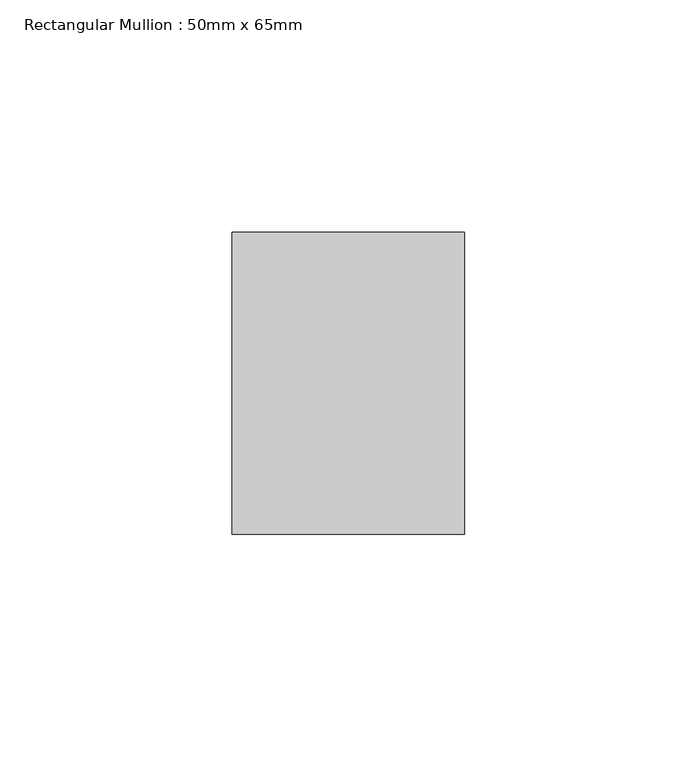
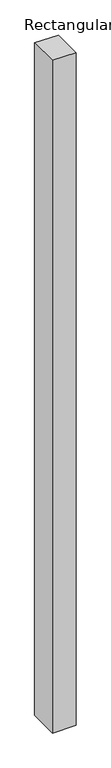
"""IFC4 building model written with IfcOpenShell, lengths in millimetres: member geometry, Rectangular Mullion : 50mm x 65mm."""

from ifc_helpers import new_model, si_unit, origin, place, context, project, spatial, faceted_brep, source, transform, mapped, element, save


def rectangular_mullion_50mm_x_65mm_de7c7b57(model_context):
    return source(origin(), model_context, "Body", "Brep", [
        faceted_brep([(-25.0, 32.5, -0.2664484), (25.0, 32.5, -0.2664462), (25.0, 32.5, -1499.6464617), (-25.0, 32.5, -1499.6464588), (-25.0, -32.5, 0.2664462), (-25.0, -32.5, -1500.3537987), (25.0, -32.5, 0.2664484), (25.0, -32.5, -1500.3538016)], [[[0, 1, 2, 3]], [[4, 0, 3, 5]], [[6, 4, 5, 7]], [[1, 6, 7, 2]], [[1, 0, 4, 6]], [[2, 7, 5, 3]]]),
    ])


if __name__ == "__main__":
    model = new_model("IFC4")
    model_context = context("Model", 3, world=origin())
    ifc_project = project(units=[si_unit("LENGTHUNIT", "METRE", prefix="MILLI")], contexts=[model_context])
    site = spatial("IfcSite", under=ifc_project)
    building = spatial("IfcBuilding", under=site)
    placement = place(None, origin())
    rectangular_mullion_50mm_x_65mm_shape = rectangular_mullion_50mm_x_65mm_de7c7b57(model_context)
    element("IfcMember", 1, ObjectType="Rectangular Mullion : 50mm x 65mm", at=placement, inside=building, context=model_context, shape_type="MappedRepresentation", body=[
        mapped(rectangular_mullion_50mm_x_65mm_shape, transform((0.0, 0.0, 0.0), x_axis=(1.0, 0.0, 0.0), y_axis=(0.0, 1.0, 0.0), z_axis=(0.0, 0.0, 1.0))),
    ])
    save(model, "model.ifc")
